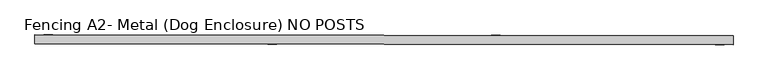
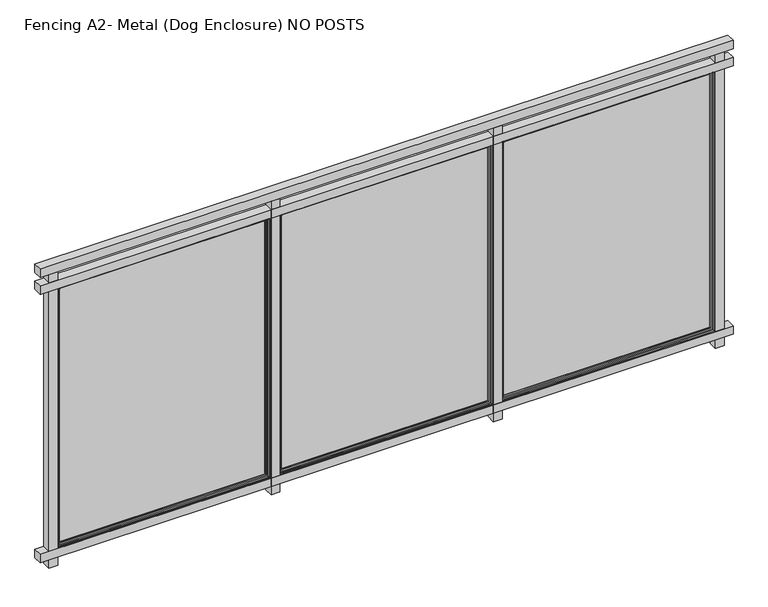
"""IFC4 building model written with IfcOpenShell, lengths in millimetres: railing geometry, Fencing A2- Metal (Dog Enclosure) NO POSTS."""

from ifc_helpers import new_model, si_unit, frame, origin, place, context, project, spatial, polyline, ellipse_curve, outline, extrude, source, transform, mapped, element, save
from ifc_brep_helpers import plane_surface, cylinder_surface, advanced_brep


def fencing_a2_metal_dog_enclosure_no_posts_9d2dae22(model_context):
    return source(origin(), model_context, "Body", "SolidModel", [
        extrude(outline(polyline([(4260.0081222, 2335.1060375), (4259.9478212, 2284.3060733), (297.5506127, 2289.0095581), (297.6109138, 2339.8095223), (4260.0081222, 2335.1060375)])), frame((0.0, 0.0, 1016.0), z_axis=(0.0, 0.0, 1.0), x_axis=(1.0, 0.0, 0.0)), (0.0, 0.0, 1.0), 50.8),
        extrude(outline(polyline([(4260.0081222, 2335.1060375), (4259.9478212, 2284.3060733), (297.5506127, 2289.0095581), (297.6109138, 2339.8095223), (4260.0081222, 2335.1060375)])), frame((0.0, 0.0, 914.4), z_axis=(0.0, 0.0, 1.0), x_axis=(1.0, 0.0, 0.0)), (0.0, 0.0, 1.0), 50.8),
        extrude(outline(polyline([(4260.0081222, 2335.1060375), (4259.9478212, 2284.3060733), (297.5506127, 2289.0095581), (297.6109138, 2339.8095223), (4260.0081222, 2335.1060375)])), frame((0.0, 0.0, -711.2), z_axis=(0.0, 0.0, 1.0), x_axis=(1.0, 0.0, 0.0)), (0.0, 0.0, 1.0), 50.8),
        extrude(outline(polyline([(399.2108422, 2339.6889201), (399.1505412, 2288.8889559), (348.350577, 2288.949257), (348.410878, 2339.7492212), (399.2108422, 2339.6889201)])), frame((0.0, 0.0, -762.0), z_axis=(0.0, 0.0, 1.0), x_axis=(1.0, 0.0, 0.0)), (0.0, 0.0, 1.0), 1778.0),
        advanced_brep(
        [(1612.0505657, 2330.3117373, 908.05), (1615.2293323, 2333.4829662, 911.225), (1615.2293323, 2333.4829662, -657.225), (1612.0505657, 2330.3117373, -654.05), (402.3801868, 2334.9226547, -657.225), (405.5514157, 2331.7438881, -654.05), (399.205189, 2334.9264235, -660.4), (399.205189, 2334.9264235, 914.4), (1618.4043301, 2333.4791974, 914.4), (1618.4043301, 2333.4791974, -660.4), (402.3801868, 2334.9226547, 911.225), (405.5514157, 2331.7438881, 908.05), (1612.0392593, 2320.786744, -654.05), (405.5401093, 2322.2188948, -654.05), (1612.0392593, 2320.786744, 908.05), (405.5401093, 2322.2188948, 908.05), (1602.514266, 2320.7980504, -644.525), (1602.514266, 2320.7980504, 898.525), (415.0651026, 2322.2075883, 898.525), (415.0651026, 2322.2075883, -644.525), (1599.3354994, 2317.6268215, 895.35), (1599.3354994, 2317.6268215, -641.35), (418.2363315, 2319.0288218, -641.35), (418.2363315, 2319.0288218, 895.35), (1599.3317306, 2314.4518237, -641.35), (418.2325627, 2315.853824, -641.35), (1599.3317306, 2314.4518237, 895.35), (418.2325627, 2315.853824, 895.35), (1618.3817172, 2314.4292108, -660.4), (1618.3817172, 2314.4292108, 914.4), (399.1825761, 2315.8764369, 914.4), (399.1825761, 2315.8764369, -660.4)],
        [
            (0, 1, ellipse_curve(frame((1615.2255635, 2330.3079684, 911.225), z_axis=(0.7071062830160321, -0.0008393564505232655, -0.7071067811865475), x_axis=(0.707106283016032, -0.0008393564505232654, 0.7071067811865476)), 4.4901281, 3.175)),
            (1, 2),
            (2, 3, ellipse_curve(frame((1615.2255635, 2330.3079684, -657.225), z_axis=(0.7071062830160321, -0.0008393564505232655, 0.7071067811865475), x_axis=(-0.707106283016032, 0.0008393564505232654, 0.7071067811865476)), 4.4901281, 3.175)),
            (3, 0),
            (2, 4),
            (4, 5, ellipse_curve(frame((402.376418, 2331.7476569, -657.225), z_axis=(0.7071062830160321, -0.0008393564505232655, -0.7071067811865475), x_axis=(0.7071062830160322, -0.0008393564505232656, 0.7071067811865474)), 4.4901281, 3.175)),
            (5, 3),
            (6, 7),
            (7, 8),
            (8, 9),
            (9, 6),
            (1, 10),
            (10, 4),
            (10, 11, ellipse_curve(frame((402.376418, 2331.7476569, 911.225), z_axis=(-0.7071062830160321, 0.0008393564505232655, -0.7071067811865475), x_axis=(0.707106283016032, -0.0008393564505232654, -0.7071067811865476)), 4.4901281, 3.175)),
            (11, 5),
            (12, 3),
            (5, 13),
            (13, 12),
            (14, 0),
            (12, 14),
            (11, 15),
            (15, 13),
            (15, 14),
            (16, 17),
            (17, 18),
            (18, 19),
            (19, 16),
            (20, 17, ellipse_curve(frame((1602.5104972, 2317.6230527, 898.525), z_axis=(0.7071062830160321, -0.0008393564505232655, -0.7071067811865475), x_axis=(0.707106283016032, -0.0008393564505232654, 0.7071067811865476)), 4.4901281, 3.175)),
            (16, 21, ellipse_curve(frame((1602.5104972, 2317.6230527, -644.525), z_axis=(0.7071062830160321, -0.0008393564505232655, 0.7071067811865475), x_axis=(-0.707106283016032, 0.0008393564505232654, 0.7071067811865476)), 4.4901281, 3.175)),
            (21, 20),
            (19, 22, ellipse_curve(frame((415.0613337, 2319.0325906, -644.525), z_axis=(0.7071062830160321, -0.0008393564505232655, -0.7071067811865475), x_axis=(0.7071062830160322, -0.0008393564505232656, 0.7071067811865474)), 4.4901281, 3.175)),
            (22, 21),
            (18, 23, ellipse_curve(frame((415.0613337, 2319.0325906, 898.525), z_axis=(-0.7071062830160321, 0.0008393564505232655, -0.7071067811865475), x_axis=(0.707106283016032, -0.0008393564505232654, -0.7071067811865476)), 4.4901281, 3.175)),
            (23, 22),
            (24, 21),
            (22, 25),
            (25, 24),
            (26, 20),
            (24, 26),
            (23, 27),
            (27, 25),
            (28, 29),
            (29, 30),
            (30, 31),
            (31, 28),
            (27, 26),
            (8, 29),
            (28, 9),
            (31, 6),
            (30, 7),
            (0, 11),
            (20, 23),
        ],
        [
            cylinder_surface(frame((1615.2255635, 2330.3079684, 914.4), z_axis=(0.0, 0.0, 1.0), x_axis=(0.9999992954805008, -0.001187029275995899, 0.0)), 3.175),
            cylinder_surface(frame((1618.4005613, 2330.3041996, -657.225), z_axis=(0.9999992954805008, -0.0011870292759953438, 0.0), x_axis=(0.0, 0.0, -1.0)), 3.175),
            plane_surface(frame((1618.4043301, 2333.4791974, 914.4), z_axis=(0.001187029275995899, 0.9999992954805008, 0.0), x_axis=(0.0, 0.0, -1.0))),
            cylinder_surface(frame((402.376418, 2331.7476569, -660.4), z_axis=(0.0, 0.0, -1.0), x_axis=(-0.9999992954805008, 0.0011870292759947887, 0.0)), 3.175),
            plane_surface(frame((1612.0505657, 2330.3117373, -654.05), z_axis=(0.0, 0.0, 1.0), x_axis=(-0.9999992954805008, 0.0011870292759953486, 0.0))),
            plane_surface(frame((1612.0505657, 2330.3117373, 908.05), z_axis=(-0.9999992954805008, 0.001187029275995899, 0.0), x_axis=(0.0, 0.0, -1.0))),
            plane_surface(frame((405.5514157, 2331.7438881, -654.05), z_axis=(0.9999992954805008, -0.0011870292759947887, 0.0), x_axis=(0.0, 0.0, 1.0))),
            plane_surface(frame((1612.0392593, 2320.786744, 908.05), z_axis=(0.001187029275995899, 0.9999992954805008, 0.0), x_axis=(0.0, 0.0, -1.0))),
            cylinder_surface(frame((1602.5104972, 2317.6230527, 914.4), z_axis=(0.0, 0.0, 1.0), x_axis=(0.9999992954805008, -0.001187029275995899, 0.0)), 3.175),
            cylinder_surface(frame((1618.385486, 2317.6042086, -644.525), z_axis=(0.9999992954805008, -0.0011870292759953438, 0.0), x_axis=(0.0, 0.0, -1.0)), 3.175),
            cylinder_surface(frame((415.0613337, 2319.0325906, -660.4), z_axis=(0.0, 0.0, -1.0), x_axis=(-0.9999992954805008, 0.0011870292759947887, 0.0)), 3.175),
            plane_surface(frame((1599.3354994, 2317.6268215, -641.35), z_axis=(0.0, 0.0, 1.0), x_axis=(-0.9999992954805008, 0.001187029275995351, 0.0))),
            plane_surface(frame((1599.3354994, 2317.6268215, 895.35), z_axis=(-0.9999992954805008, 0.001187029275995899, 0.0), x_axis=(0.0, 0.0, -1.0))),
            plane_surface(frame((418.2363315, 2319.0288218, -641.35), z_axis=(0.9999992954805008, -0.0011870292759947887, 0.0), x_axis=(0.0, 0.0, 1.0))),
            plane_surface(frame((1599.3317306, 2314.4518237, 895.35), z_axis=(-0.001187029275995899, -0.9999992954805008, 0.0), x_axis=(0.0, 0.0, -1.0))),
            plane_surface(frame((1618.3817172, 2314.4292108, 914.4), z_axis=(0.9999992954805008, -0.001187029275995899, 0.0), x_axis=(0.0, 0.0, -1.0))),
            plane_surface(frame((1618.3817172, 2314.4292108, -660.4), z_axis=(0.0, 0.0, -1.0), x_axis=(-0.9999992954805008, 0.0011870292759953438, 0.0))),
            plane_surface(frame((399.1825761, 2315.8764369, -660.4), z_axis=(-0.9999992954805008, 0.0011870292759947887, 0.0), x_axis=(0.0, 0.0, 1.0))),
            cylinder_surface(frame((399.2014202, 2331.7514257, 911.225), z_axis=(-0.9999992954805008, 0.0011870292759953438, 0.0), x_axis=(0.0, 0.0, 1.0)), 3.175),
            plane_surface(frame((405.5514157, 2331.7438881, 908.05), z_axis=(0.0, 0.0, -1.0), x_axis=(0.9999992954805008, -0.0011870292759953449, 0.0))),
            cylinder_surface(frame((399.1863449, 2319.0514347, 898.525), z_axis=(-0.9999992954805008, 0.0011870292759953438, 0.0), x_axis=(0.0, 0.0, 1.0)), 3.175),
            plane_surface(frame((418.2363315, 2319.0288218, 895.35), z_axis=(0.0, 0.0, -1.0), x_axis=(0.9999992954805008, -0.001187029275995351, 0.0))),
            plane_surface(frame((399.1825761, 2315.8764369, 914.4), z_axis=(0.0, 0.0, 1.0), x_axis=(0.9999992954805008, -0.0011870292759953438, 0.0))),
        ],
        [
            (0, [[1, 2, 3, 4]]),
            (1, [[-3, 5, 6, 7]]),
            (2, [[8, 9, 10, 11], [-2, 12, 13, -5]]),
            (3, [[-6, -13, 14, 15]]),
            (4, [[16, -7, 17, 18]]),
            (5, [[19, -4, -16, 20]]),
            (6, [[-17, -15, 21, 22]]),
            (7, [[-22, 23, -20, -18], [24, 25, 26, 27]]),
            (8, [[28, -24, 29, 30]]),
            (9, [[-29, -27, 31, 32]]),
            (10, [[-31, -26, 33, 34]]),
            (11, [[35, -32, 36, 37]]),
            (12, [[38, -30, -35, 39]]),
            (13, [[-36, -34, 40, 41]]),
            (14, [[42, 43, 44, 45], [-41, 46, -39, -37]]),
            (15, [[47, -42, 48, -10]]),
            (16, [[-48, -45, 49, -11]]),
            (17, [[-49, -44, 50, -8]]),
            (18, [[-14, -12, -1, 51]]),
            (19, [[-21, -51, -19, -23]]),
            (20, [[-33, -25, -28, 52]]),
            (21, [[-40, -52, -38, -46]]),
            (22, [[-50, -43, -47, -9]]),
        ],
    ),
        advanced_brep(
        [(1618.3779483, 2311.254213, 914.4), (1618.3553354, 2292.2042265, 914.4), (1618.3553354, 2292.2042265, -660.4), (1618.3779483, 2311.254213, -660.4), (399.1561944, 2293.6514526, -660.4), (399.1788073, 2312.7014391, -660.4), (399.1561944, 2293.6514526, 914.4), (402.3311922, 2293.6476837, -657.225), (402.3311922, 2293.6476837, 911.225), (1615.1803377, 2292.2079953, 911.225), (1615.1803377, 2292.2079953, -657.225), (399.1788073, 2312.7014391, 914.4), (1599.3279618, 2311.2768259, -641.35), (1599.3279618, 2311.2768259, 895.35), (418.2287939, 2312.6788262, 895.35), (418.2287939, 2312.6788262, -641.35), (1599.3241929, 2308.1018282, 895.35), (1599.3241929, 2308.1018282, -641.35), (418.2250251, 2309.5038285, -641.35), (418.2250251, 2309.5038285, 895.35), (1602.4954219, 2304.9230616, -644.525), (415.0462585, 2306.3325995, -644.525), (1602.4954219, 2304.9230616, 898.525), (415.0462585, 2306.3325995, 898.525), (1612.0204152, 2304.9117551, -654.05), (1612.0204152, 2304.9117551, 908.05), (405.5212652, 2306.343906, 908.05), (405.5212652, 2306.343906, -654.05), (1612.0091087, 2295.3867619, 908.05), (1612.0091087, 2295.3867619, -654.05), (405.5099587, 2296.8189127, -654.05), (405.5099587, 2296.8189127, 908.05)],
        [
            (0, 1),
            (1, 2),
            (2, 3),
            (3, 0),
            (2, 4),
            (4, 5),
            (5, 3),
            (1, 6),
            (6, 4),
            (7, 8),
            (8, 9),
            (9, 10),
            (10, 7),
            (6, 11),
            (11, 5),
            (11, 0),
            (12, 13),
            (13, 14),
            (14, 15),
            (15, 12),
            (16, 13),
            (12, 17),
            (17, 16),
            (15, 18),
            (18, 17),
            (14, 19),
            (19, 18),
            (20, 17, ellipse_curve(frame((1602.4991907, 2308.0980594, -644.525), z_axis=(-0.7071062830160321, 0.0008393564505232655, -0.7071067811865475), x_axis=(0.7071062830160322, -0.0008393564505232656, -0.7071067811865474)), 4.4901281, 3.175)),
            (18, 21, ellipse_curve(frame((415.0500273, 2309.5075973, -644.525), z_axis=(0.7071062830160321, -0.0008393564505232655, -0.7071067811865475), x_axis=(0.7071062830160322, -0.0008393564505232656, 0.7071067811865474)), 4.4901281, 3.175)),
            (21, 20),
            (22, 16, ellipse_curve(frame((1602.4991907, 2308.0980594, 898.525), z_axis=(0.7071062830160321, -0.0008393564505232655, -0.7071067811865475), x_axis=(0.707106283016032, -0.0008393564505232654, 0.7071067811865476)), 4.4901281, 3.175)),
            (20, 22),
            (19, 23, ellipse_curve(frame((415.0500273, 2309.5075973, 898.525), z_axis=(-0.7071062830160321, 0.0008393564505232655, -0.7071067811865475), x_axis=(0.707106283016032, -0.0008393564505232654, -0.7071067811865476)), 4.4901281, 3.175)),
            (23, 21),
            (24, 25),
            (25, 26),
            (26, 27),
            (27, 24),
            (23, 22),
            (28, 25),
            (24, 29),
            (29, 28),
            (27, 30),
            (30, 29),
            (26, 31),
            (31, 30),
            (10, 29, ellipse_curve(frame((1615.1841065, 2295.382993, -657.225), z_axis=(-0.7071062830160321, 0.0008393564505232655, -0.7071067811865475), x_axis=(0.7071062830160322, -0.0008393564505232656, -0.7071067811865474)), 4.4901281, 3.175)),
            (30, 7, ellipse_curve(frame((402.334961, 2296.8226815, -657.225), z_axis=(0.7071062830160321, -0.0008393564505232655, -0.7071067811865475), x_axis=(0.7071062830160322, -0.0008393564505232656, 0.7071067811865474)), 4.4901281, 3.175)),
            (9, 28, ellipse_curve(frame((1615.1841065, 2295.382993, 911.225), z_axis=(0.7071062830160321, -0.0008393564505232655, -0.7071067811865475), x_axis=(0.707106283016032, -0.0008393564505232654, 0.7071067811865476)), 4.4901281, 3.175)),
            (31, 8, ellipse_curve(frame((402.334961, 2296.8226815, 911.225), z_axis=(-0.7071062830160321, 0.0008393564505232655, -0.7071067811865475), x_axis=(0.707106283016032, -0.0008393564505232654, -0.7071067811865476)), 4.4901281, 3.175)),
            (16, 19),
            (28, 31),
        ],
        [
            plane_surface(frame((1618.3553354, 2292.2042265, 914.4), z_axis=(0.9999992954805008, -0.001187029275995899, 0.0), x_axis=(0.0, 0.0, -1.0))),
            plane_surface(frame((1618.3553354, 2292.2042265, -660.4), z_axis=(0.0, 0.0, -1.0), x_axis=(-0.9999992954805008, 0.0011870292759953438, 0.0))),
            plane_surface(frame((1615.1803377, 2292.2079953, 911.225), z_axis=(-0.001187029275995899, -0.9999992954805008, 0.0), x_axis=(0.0, 0.0, -1.0))),
            plane_surface(frame((399.1561944, 2293.6514526, -660.4), z_axis=(-0.9999992954805008, 0.0011870292759947887, 0.0), x_axis=(0.0, 0.0, 1.0))),
            plane_surface(frame((1618.3779483, 2311.254213, 914.4), z_axis=(0.001187029275995899, 0.9999992954805008, 0.0), x_axis=(0.0, 0.0, -1.0))),
            plane_surface(frame((1599.3279618, 2311.2768259, 895.35), z_axis=(-0.9999992954805008, 0.001187029275995899, 0.0), x_axis=(0.0, 0.0, -1.0))),
            plane_surface(frame((1599.3279618, 2311.2768259, -641.35), z_axis=(0.0, 0.0, 1.0), x_axis=(-0.9999992954805008, 0.001187029275995351, 0.0))),
            plane_surface(frame((418.2287939, 2312.6788262, -641.35), z_axis=(0.9999992954805008, -0.0011870292759947887, 0.0), x_axis=(0.0, 0.0, 1.0))),
            cylinder_surface(frame((1618.3741795, 2308.0792153, -644.525), z_axis=(0.9999992954805008, -0.0011870292759953438, 0.0), x_axis=(0.0, 0.0, -1.0)), 3.175),
            cylinder_surface(frame((1602.4991907, 2308.0980594, 914.4), z_axis=(0.0, 0.0, 1.0), x_axis=(0.9999992954805008, -0.001187029275995899, 0.0)), 3.175),
            cylinder_surface(frame((415.0500273, 2309.5075973, -660.4), z_axis=(0.0, 0.0, -1.0), x_axis=(-0.9999992954805008, 0.0011870292759947887, 0.0)), 3.175),
            plane_surface(frame((1602.4954219, 2304.9230616, 898.525), z_axis=(-0.001187029275995899, -0.9999992954805008, 0.0), x_axis=(0.0, 0.0, -1.0))),
            plane_surface(frame((1612.0204152, 2304.9117551, 908.05), z_axis=(-0.9999992954805008, 0.001187029275995899, 0.0), x_axis=(0.0, 0.0, -1.0))),
            plane_surface(frame((1612.0204152, 2304.9117551, -654.05), z_axis=(0.0, 0.0, 1.0), x_axis=(-0.9999992954805008, 0.0011870292759953449, 0.0))),
            plane_surface(frame((405.5212652, 2306.343906, -654.05), z_axis=(0.9999992954805008, -0.0011870292759947887, 0.0), x_axis=(0.0, 0.0, 1.0))),
            cylinder_surface(frame((1618.3591043, 2295.3792242, -657.225), z_axis=(0.9999992954805008, -0.0011870292759953438, 0.0), x_axis=(0.0, 0.0, -1.0)), 3.175),
            cylinder_surface(frame((1615.1841065, 2295.382993, 914.4), z_axis=(0.0, 0.0, 1.0), x_axis=(0.9999992954805008, -0.001187029275995899, 0.0)), 3.175),
            cylinder_surface(frame((402.334961, 2296.8226815, -660.4), z_axis=(0.0, 0.0, -1.0), x_axis=(-0.9999992954805008, 0.0011870292759947887, 0.0)), 3.175),
            plane_surface(frame((399.1561944, 2293.6514526, 914.4), z_axis=(0.0, 0.0, 1.0), x_axis=(0.9999992954805008, -0.0011870292759953438, 0.0))),
            plane_surface(frame((418.2287939, 2312.6788262, 895.35), z_axis=(0.0, 0.0, -1.0), x_axis=(0.9999992954805008, -0.001187029275995351, 0.0))),
            cylinder_surface(frame((399.1750385, 2309.5264414, 898.525), z_axis=(-0.9999992954805008, 0.0011870292759953438, 0.0), x_axis=(0.0, 0.0, 1.0)), 3.175),
            plane_surface(frame((405.5212652, 2306.343906, 908.05), z_axis=(0.0, 0.0, -1.0), x_axis=(0.9999992954805008, -0.0011870292759953449, 0.0))),
            cylinder_surface(frame((399.1599632, 2296.8264503, 911.225), z_axis=(-0.9999992954805008, 0.0011870292759953438, 0.0), x_axis=(0.0, 0.0, 1.0)), 3.175),
        ],
        [
            (0, [[1, 2, 3, 4]]),
            (1, [[-3, 5, 6, 7]]),
            (2, [[-2, 8, 9, -5], [10, 11, 12, 13]]),
            (3, [[-6, -9, 14, 15]]),
            (4, [[-15, 16, -4, -7], [17, 18, 19, 20]]),
            (5, [[21, -17, 22, 23]]),
            (6, [[-22, -20, 24, 25]]),
            (7, [[-24, -19, 26, 27]]),
            (8, [[28, -25, 29, 30]]),
            (9, [[31, -23, -28, 32]]),
            (10, [[-29, -27, 33, 34]]),
            (11, [[35, 36, 37, 38], [-34, 39, -32, -30]]),
            (12, [[40, -35, 41, 42]]),
            (13, [[-41, -38, 43, 44]]),
            (14, [[-43, -37, 45, 46]]),
            (15, [[47, -44, 48, -13]]),
            (16, [[49, -42, -47, -12]]),
            (17, [[-48, -46, 50, -10]]),
            (18, [[-14, -8, -1, -16]]),
            (19, [[-26, -18, -21, 51]]),
            (20, [[-33, -51, -31, -39]]),
            (21, [[-45, -36, -40, 52]]),
            (22, [[-50, -52, -49, -11]]),
        ],
    ),
        extrude(outline(polyline([(1618.3779483, 2311.254213), (399.1788073, 2312.7014391), (399.1825761, 2315.8764369), (1618.3817172, 2314.4292108), (1618.3779483, 2311.254213)])), frame((0.0, 0.0, -660.4), z_axis=(0.0, 0.0, 1.0), x_axis=(1.0, 0.0, 0.0)), (0.0, 0.0, 1.0), 1574.8),
        extrude(outline(polyline([(1669.2099475, 2338.1813929), (1669.1496464, 2287.3814287), (1618.3496822, 2287.4417298), (1618.4099833, 2338.241694), (1669.2099475, 2338.1813929)])), frame((0.0, 0.0, -762.0), z_axis=(0.0, 0.0, 1.0), x_axis=(1.0, 0.0, 0.0)), (0.0, 0.0, 1.0), 1778.0),
        advanced_brep(
        [(2882.049671, 2328.8042101, 908.05), (2885.2284376, 2331.975439, 911.225), (2885.2284376, 2331.975439, -657.225), (2882.049671, 2328.8042101, -654.05), (1672.379292, 2333.4151275, -657.225), (1675.550521, 2330.2363609, -654.05), (1669.2042943, 2333.4188963, -660.4), (1669.2042943, 2333.4188963, 914.4), (2888.4034353, 2331.9716702, 914.4), (2888.4034353, 2331.9716702, -660.4), (1672.379292, 2333.4151275, 911.225), (1675.550521, 2330.2363609, 908.05), (2882.0383645, 2319.2792168, -654.05), (1675.5392145, 2320.7113676, -654.05), (2882.0383645, 2319.2792168, 908.05), (1675.5392145, 2320.7113676, 908.05), (2872.5133712, 2319.2905232, -644.525), (2872.5133712, 2319.2905232, 898.525), (1685.0642078, 2320.7000612, 898.525), (1685.0642078, 2320.7000612, -644.525), (2869.3346047, 2316.1192943, 895.35), (2869.3346047, 2316.1192943, -641.35), (1688.2354368, 2317.5212946, -641.35), (1688.2354368, 2317.5212946, 895.35), (2869.3308358, 2312.9442965, -641.35), (1688.231668, 2314.3462968, -641.35), (2869.3308358, 2312.9442965, 895.35), (1688.231668, 2314.3462968, 895.35), (2888.3808224, 2312.9216836, -660.4), (2888.3808224, 2312.9216836, 914.4), (1669.1816814, 2314.3689097, 914.4), (1669.1816814, 2314.3689097, -660.4)],
        [
            (0, 1, ellipse_curve(frame((2885.2246687, 2328.8004413, 911.225), z_axis=(0.7071062830160321, -0.0008393564505232655, -0.7071067811865475), x_axis=(0.707106283016032, -0.0008393564505232654, 0.7071067811865476)), 4.4901281, 3.175)),
            (1, 2),
            (2, 3, ellipse_curve(frame((2885.2246687, 2328.8004413, -657.225), z_axis=(0.7071062830160321, -0.0008393564505232655, 0.7071067811865475), x_axis=(-0.707106283016032, 0.0008393564505232654, 0.7071067811865476)), 4.4901281, 3.175)),
            (3, 0),
            (2, 4),
            (4, 5, ellipse_curve(frame((1672.3755232, 2330.2401297, -657.225), z_axis=(0.7071062830160321, -0.0008393564505232655, -0.7071067811865475), x_axis=(0.7071062830160322, -0.0008393564505232656, 0.7071067811865474)), 4.4901281, 3.175)),
            (5, 3),
            (6, 7),
            (7, 8),
            (8, 9),
            (9, 6),
            (1, 10),
            (10, 4),
            (10, 11, ellipse_curve(frame((1672.3755232, 2330.2401297, 911.225), z_axis=(-0.7071062830160321, 0.0008393564505232655, -0.7071067811865475), x_axis=(0.707106283016032, -0.0008393564505232654, -0.7071067811865476)), 4.4901281, 3.175)),
            (11, 5),
            (12, 3),
            (5, 13),
            (13, 12),
            (14, 0),
            (12, 14),
            (11, 15),
            (15, 13),
            (15, 14),
            (16, 17),
            (17, 18),
            (18, 19),
            (19, 16),
            (20, 17, ellipse_curve(frame((2872.5096024, 2316.1155255, 898.525), z_axis=(0.7071062830160321, -0.0008393564505232655, -0.7071067811865475), x_axis=(0.707106283016032, -0.0008393564505232654, 0.7071067811865476)), 4.4901281, 3.175)),
            (16, 21, ellipse_curve(frame((2872.5096024, 2316.1155255, -644.525), z_axis=(0.7071062830160321, -0.0008393564505232655, 0.7071067811865475), x_axis=(-0.707106283016032, 0.0008393564505232654, 0.7071067811865476)), 4.4901281, 3.175)),
            (21, 20),
            (19, 22, ellipse_curve(frame((1685.060439, 2317.5250634, -644.525), z_axis=(0.7071062830160321, -0.0008393564505232655, -0.7071067811865475), x_axis=(0.7071062830160322, -0.0008393564505232656, 0.7071067811865474)), 4.4901281, 3.175)),
            (22, 21),
            (18, 23, ellipse_curve(frame((1685.060439, 2317.5250634, 898.525), z_axis=(-0.7071062830160321, 0.0008393564505232655, -0.7071067811865475), x_axis=(0.707106283016032, -0.0008393564505232654, -0.7071067811865476)), 4.4901281, 3.175)),
            (23, 22),
            (24, 21),
            (22, 25),
            (25, 24),
            (26, 20),
            (24, 26),
            (23, 27),
            (27, 25),
            (28, 29),
            (29, 30),
            (30, 31),
            (31, 28),
            (27, 26),
            (8, 29),
            (28, 9),
            (31, 6),
            (30, 7),
            (0, 11),
            (20, 23),
        ],
        [
            cylinder_surface(frame((2885.2246687, 2328.8004413, 914.4), z_axis=(0.0, 0.0, 1.0), x_axis=(0.9999992954805008, -0.001187029275995899, 0.0)), 3.175),
            cylinder_surface(frame((2888.3996665, 2328.7966724, -657.225), z_axis=(0.9999992954805008, -0.0011870292759953438, 0.0), x_axis=(0.0, 0.0, -1.0)), 3.175),
            plane_surface(frame((2888.4034353, 2331.9716702, 914.4), z_axis=(0.001187029275995899, 0.9999992954805008, 0.0), x_axis=(0.0, 0.0, -1.0))),
            cylinder_surface(frame((1672.3755232, 2330.2401297, -660.4), z_axis=(0.0, 0.0, -1.0), x_axis=(-0.9999992954805008, 0.0011870292759947887, 0.0)), 3.175),
            plane_surface(frame((2882.049671, 2328.8042101, -654.05), z_axis=(0.0, 0.0, 1.0), x_axis=(-0.9999992954805008, 0.0011870292759953486, 0.0))),
            plane_surface(frame((2882.049671, 2328.8042101, 908.05), z_axis=(-0.9999992954805008, 0.001187029275995899, 0.0), x_axis=(0.0, 0.0, -1.0))),
            plane_surface(frame((1675.550521, 2330.2363609, -654.05), z_axis=(0.9999992954805008, -0.0011870292759947887, 0.0), x_axis=(0.0, 0.0, 1.0))),
            plane_surface(frame((2882.0383645, 2319.2792168, 908.05), z_axis=(0.001187029275995899, 0.9999992954805008, 0.0), x_axis=(0.0, 0.0, -1.0))),
            cylinder_surface(frame((2872.5096024, 2316.1155255, 914.4), z_axis=(0.0, 0.0, 1.0), x_axis=(0.9999992954805008, -0.001187029275995899, 0.0)), 3.175),
            cylinder_surface(frame((2888.3845912, 2316.0966814, -644.525), z_axis=(0.9999992954805008, -0.0011870292759953438, 0.0), x_axis=(0.0, 0.0, -1.0)), 3.175),
            cylinder_surface(frame((1685.060439, 2317.5250634, -660.4), z_axis=(0.0, 0.0, -1.0), x_axis=(-0.9999992954805008, 0.0011870292759947887, 0.0)), 3.175),
            plane_surface(frame((2869.3346047, 2316.1192943, -641.35), z_axis=(0.0, 0.0, 1.0), x_axis=(-0.9999992954805008, 0.001187029275995351, 0.0))),
            plane_surface(frame((2869.3346047, 2316.1192943, 895.35), z_axis=(-0.9999992954805008, 0.001187029275995899, 0.0), x_axis=(0.0, 0.0, -1.0))),
            plane_surface(frame((1688.2354368, 2317.5212946, -641.35), z_axis=(0.9999992954805008, -0.0011870292759947887, 0.0), x_axis=(0.0, 0.0, 1.0))),
            plane_surface(frame((2869.3308358, 2312.9442965, 895.35), z_axis=(-0.001187029275995899, -0.9999992954805008, 0.0), x_axis=(0.0, 0.0, -1.0))),
            plane_surface(frame((2888.3808224, 2312.9216836, 914.4), z_axis=(0.9999992954805008, -0.001187029275995899, 0.0), x_axis=(0.0, 0.0, -1.0))),
            plane_surface(frame((2888.3808224, 2312.9216836, -660.4), z_axis=(0.0, 0.0, -1.0), x_axis=(-0.9999992954805008, 0.0011870292759953438, 0.0))),
            plane_surface(frame((1669.1816814, 2314.3689097, -660.4), z_axis=(-0.9999992954805008, 0.0011870292759947887, 0.0), x_axis=(0.0, 0.0, 1.0))),
            cylinder_surface(frame((1669.2005255, 2330.2438985, 911.225), z_axis=(-0.9999992954805008, 0.0011870292759953438, 0.0), x_axis=(0.0, 0.0, 1.0)), 3.175),
            plane_surface(frame((1675.550521, 2330.2363609, 908.05), z_axis=(0.0, 0.0, -1.0), x_axis=(0.9999992954805008, -0.0011870292759953449, 0.0))),
            cylinder_surface(frame((1669.1854502, 2317.5439075, 898.525), z_axis=(-0.9999992954805008, 0.0011870292759953438, 0.0), x_axis=(0.0, 0.0, 1.0)), 3.175),
            plane_surface(frame((1688.2354368, 2317.5212946, 895.35), z_axis=(0.0, 0.0, -1.0), x_axis=(0.9999992954805008, -0.001187029275995351, 0.0))),
            plane_surface(frame((1669.1816814, 2314.3689097, 914.4), z_axis=(0.0, 0.0, 1.0), x_axis=(0.9999992954805008, -0.0011870292759953438, 0.0))),
        ],
        [
            (0, [[1, 2, 3, 4]]),
            (1, [[-3, 5, 6, 7]]),
            (2, [[8, 9, 10, 11], [-2, 12, 13, -5]]),
            (3, [[-6, -13, 14, 15]]),
            (4, [[16, -7, 17, 18]]),
            (5, [[19, -4, -16, 20]]),
            (6, [[-17, -15, 21, 22]]),
            (7, [[-22, 23, -20, -18], [24, 25, 26, 27]]),
            (8, [[28, -24, 29, 30]]),
            (9, [[-29, -27, 31, 32]]),
            (10, [[-31, -26, 33, 34]]),
            (11, [[35, -32, 36, 37]]),
            (12, [[38, -30, -35, 39]]),
            (13, [[-36, -34, 40, 41]]),
            (14, [[42, 43, 44, 45], [-41, 46, -39, -37]]),
            (15, [[47, -42, 48, -10]]),
            (16, [[-48, -45, 49, -11]]),
            (17, [[-49, -44, 50, -8]]),
            (18, [[-14, -12, -1, 51]]),
            (19, [[-21, -51, -19, -23]]),
            (20, [[-33, -25, -28, 52]]),
            (21, [[-40, -52, -38, -46]]),
            (22, [[-50, -43, -47, -9]]),
        ],
    ),
        advanced_brep(
        [(2888.3770536, 2309.7466859, 914.4), (2888.3544407, 2290.6966993, 914.4), (2888.3544407, 2290.6966993, -660.4), (2888.3770536, 2309.7466859, -660.4), (1669.1552996, 2292.1439254, -660.4), (1669.1779126, 2311.193912, -660.4), (1669.1552996, 2292.1439254, 914.4), (1672.3302974, 2292.1401566, -657.225), (1672.3302974, 2292.1401566, 911.225), (2885.1794429, 2290.7004681, 911.225), (2885.1794429, 2290.7004681, -657.225), (1669.1779126, 2311.193912, 914.4), (2869.327067, 2309.7692988, -641.35), (2869.327067, 2309.7692988, 895.35), (1688.2278991, 2311.171299, 895.35), (1688.2278991, 2311.171299, -641.35), (2869.3232982, 2306.594301, 895.35), (2869.3232982, 2306.594301, -641.35), (1688.2241303, 2307.9963013, -641.35), (1688.2241303, 2307.9963013, 895.35), (2872.4945272, 2303.4155344, -644.525), (1685.0453637, 2304.8250723, -644.525), (2872.4945272, 2303.4155344, 898.525), (1685.0453637, 2304.8250723, 898.525), (2882.0195204, 2303.404228, -654.05), (2882.0195204, 2303.404228, 908.05), (1675.5203704, 2304.8363788, 908.05), (1675.5203704, 2304.8363788, -654.05), (2882.008214, 2293.8792347, 908.05), (2882.008214, 2293.8792347, -654.05), (1675.509064, 2295.3113855, -654.05), (1675.509064, 2295.3113855, 908.05)],
        [
            (0, 1),
            (1, 2),
            (2, 3),
            (3, 0),
            (2, 4),
            (4, 5),
            (5, 3),
            (1, 6),
            (6, 4),
            (7, 8),
            (8, 9),
            (9, 10),
            (10, 7),
            (6, 11),
            (11, 5),
            (11, 0),
            (12, 13),
            (13, 14),
            (14, 15),
            (15, 12),
            (16, 13),
            (12, 17),
            (17, 16),
            (15, 18),
            (18, 17),
            (14, 19),
            (19, 18),
            (20, 17, ellipse_curve(frame((2872.498296, 2306.5905322, -644.525), z_axis=(-0.7071062830160321, 0.0008393564505232655, -0.7071067811865475), x_axis=(0.7071062830160322, -0.0008393564505232656, -0.7071067811865474)), 4.4901281, 3.175)),
            (18, 21, ellipse_curve(frame((1685.0491326, 2308.0000701, -644.525), z_axis=(0.7071062830160321, -0.0008393564505232655, -0.7071067811865475), x_axis=(0.7071062830160322, -0.0008393564505232656, 0.7071067811865474)), 4.4901281, 3.175)),
            (21, 20),
            (22, 16, ellipse_curve(frame((2872.498296, 2306.5905322, 898.525), z_axis=(0.7071062830160321, -0.0008393564505232655, -0.7071067811865475), x_axis=(0.707106283016032, -0.0008393564505232654, 0.7071067811865476)), 4.4901281, 3.175)),
            (20, 22),
            (19, 23, ellipse_curve(frame((1685.0491326, 2308.0000701, 898.525), z_axis=(-0.7071062830160321, 0.0008393564505232655, -0.7071067811865475), x_axis=(0.707106283016032, -0.0008393564505232654, -0.7071067811865476)), 4.4901281, 3.175)),
            (23, 21),
            (24, 25),
            (25, 26),
            (26, 27),
            (27, 24),
            (23, 22),
            (28, 25),
            (24, 29),
            (29, 28),
            (27, 30),
            (30, 29),
            (26, 31),
            (31, 30),
            (10, 29, ellipse_curve(frame((2885.1832118, 2293.8754659, -657.225), z_axis=(-0.7071062830160321, 0.0008393564505232655, -0.7071067811865475), x_axis=(0.7071062830160322, -0.0008393564505232656, -0.7071067811865474)), 4.4901281, 3.175)),
            (30, 7, ellipse_curve(frame((1672.3340662, 2295.3151543, -657.225), z_axis=(0.7071062830160321, -0.0008393564505232655, -0.7071067811865475), x_axis=(0.7071062830160322, -0.0008393564505232656, 0.7071067811865474)), 4.4901281, 3.175)),
            (9, 28, ellipse_curve(frame((2885.1832118, 2293.8754659, 911.225), z_axis=(0.7071062830160321, -0.0008393564505232655, -0.7071067811865475), x_axis=(0.707106283016032, -0.0008393564505232654, 0.7071067811865476)), 4.4901281, 3.175)),
            (31, 8, ellipse_curve(frame((1672.3340662, 2295.3151543, 911.225), z_axis=(-0.7071062830160321, 0.0008393564505232655, -0.7071067811865475), x_axis=(0.707106283016032, -0.0008393564505232654, -0.7071067811865476)), 4.4901281, 3.175)),
            (16, 19),
            (28, 31),
        ],
        [
            plane_surface(frame((2888.3544407, 2290.6966993, 914.4), z_axis=(0.9999992954805008, -0.001187029275995899, 0.0), x_axis=(0.0, 0.0, -1.0))),
            plane_surface(frame((2888.3544407, 2290.6966993, -660.4), z_axis=(0.0, 0.0, -1.0), x_axis=(-0.9999992954805008, 0.0011870292759953438, 0.0))),
            plane_surface(frame((2885.1794429, 2290.7004681, 911.225), z_axis=(-0.001187029275995899, -0.9999992954805008, 0.0), x_axis=(0.0, 0.0, -1.0))),
            plane_surface(frame((1669.1552996, 2292.1439254, -660.4), z_axis=(-0.9999992954805008, 0.0011870292759947887, 0.0), x_axis=(0.0, 0.0, 1.0))),
            plane_surface(frame((2888.3770536, 2309.7466859, 914.4), z_axis=(0.001187029275995899, 0.9999992954805008, 0.0), x_axis=(0.0, 0.0, -1.0))),
            plane_surface(frame((2869.327067, 2309.7692988, 895.35), z_axis=(-0.9999992954805008, 0.001187029275995899, 0.0), x_axis=(0.0, 0.0, -1.0))),
            plane_surface(frame((2869.327067, 2309.7692988, -641.35), z_axis=(0.0, 0.0, 1.0), x_axis=(-0.9999992954805008, 0.001187029275995351, 0.0))),
            plane_surface(frame((1688.2278991, 2311.171299, -641.35), z_axis=(0.9999992954805008, -0.0011870292759947887, 0.0), x_axis=(0.0, 0.0, 1.0))),
            cylinder_surface(frame((2888.3732848, 2306.5716881, -644.525), z_axis=(0.9999992954805008, -0.0011870292759953438, 0.0), x_axis=(0.0, 0.0, -1.0)), 3.175),
            cylinder_surface(frame((2872.498296, 2306.5905322, 914.4), z_axis=(0.0, 0.0, 1.0), x_axis=(0.9999992954805008, -0.001187029275995899, 0.0)), 3.175),
            cylinder_surface(frame((1685.0491326, 2308.0000701, -660.4), z_axis=(0.0, 0.0, -1.0), x_axis=(-0.9999992954805008, 0.0011870292759947887, 0.0)), 3.175),
            plane_surface(frame((2872.4945272, 2303.4155344, 898.525), z_axis=(-0.001187029275995899, -0.9999992954805008, 0.0), x_axis=(0.0, 0.0, -1.0))),
            plane_surface(frame((2882.0195204, 2303.404228, 908.05), z_axis=(-0.9999992954805008, 0.001187029275995899, 0.0), x_axis=(0.0, 0.0, -1.0))),
            plane_surface(frame((2882.0195204, 2303.404228, -654.05), z_axis=(0.0, 0.0, 1.0), x_axis=(-0.9999992954805008, 0.0011870292759953449, 0.0))),
            plane_surface(frame((1675.5203704, 2304.8363788, -654.05), z_axis=(0.9999992954805008, -0.0011870292759947887, 0.0), x_axis=(0.0, 0.0, 1.0))),
            cylinder_surface(frame((2888.3582095, 2293.871697, -657.225), z_axis=(0.9999992954805008, -0.0011870292759953438, 0.0), x_axis=(0.0, 0.0, -1.0)), 3.175),
            cylinder_surface(frame((2885.1832118, 2293.8754659, 914.4), z_axis=(0.0, 0.0, 1.0), x_axis=(0.9999992954805008, -0.001187029275995899, 0.0)), 3.175),
            cylinder_surface(frame((1672.3340662, 2295.3151543, -660.4), z_axis=(0.0, 0.0, -1.0), x_axis=(-0.9999992954805008, 0.0011870292759947887, 0.0)), 3.175),
            plane_surface(frame((1669.1552996, 2292.1439254, 914.4), z_axis=(0.0, 0.0, 1.0), x_axis=(0.9999992954805008, -0.0011870292759953438, 0.0))),
            plane_surface(frame((1688.2278991, 2311.171299, 895.35), z_axis=(0.0, 0.0, -1.0), x_axis=(0.9999992954805008, -0.001187029275995351, 0.0))),
            cylinder_surface(frame((1669.1741437, 2308.0189142, 898.525), z_axis=(-0.9999992954805008, 0.0011870292759953438, 0.0), x_axis=(0.0, 0.0, 1.0)), 3.175),
            plane_surface(frame((1675.5203704, 2304.8363788, 908.05), z_axis=(0.0, 0.0, -1.0), x_axis=(0.9999992954805008, -0.0011870292759953449, 0.0))),
            cylinder_surface(frame((1669.1590685, 2295.3189231, 911.225), z_axis=(-0.9999992954805008, 0.0011870292759953438, 0.0), x_axis=(0.0, 0.0, 1.0)), 3.175),
        ],
        [
            (0, [[1, 2, 3, 4]]),
            (1, [[-3, 5, 6, 7]]),
            (2, [[-2, 8, 9, -5], [10, 11, 12, 13]]),
            (3, [[-6, -9, 14, 15]]),
            (4, [[-15, 16, -4, -7], [17, 18, 19, 20]]),
            (5, [[21, -17, 22, 23]]),
            (6, [[-22, -20, 24, 25]]),
            (7, [[-24, -19, 26, 27]]),
            (8, [[28, -25, 29, 30]]),
            (9, [[31, -23, -28, 32]]),
            (10, [[-29, -27, 33, 34]]),
            (11, [[35, 36, 37, 38], [-34, 39, -32, -30]]),
            (12, [[40, -35, 41, 42]]),
            (13, [[-41, -38, 43, 44]]),
            (14, [[-43, -37, 45, 46]]),
            (15, [[47, -44, 48, -13]]),
            (16, [[49, -42, -47, -12]]),
            (17, [[-48, -46, 50, -10]]),
            (18, [[-14, -8, -1, -16]]),
            (19, [[-26, -18, -21, 51]]),
            (20, [[-33, -51, -31, -39]]),
            (21, [[-45, -36, -40, 52]]),
            (22, [[-50, -52, -49, -11]]),
        ],
    ),
        extrude(outline(polyline([(2888.3770536, 2309.7466859), (1669.1779126, 2311.193912), (1669.1816814, 2314.3689097), (2888.3808224, 2312.9216836), (2888.3770536, 2309.7466859)])), frame((0.0, 0.0, -660.4), z_axis=(0.0, 0.0, 1.0), x_axis=(1.0, 0.0, 0.0)), (0.0, 0.0, 1.0), 1574.8),
        extrude(outline(polyline([(2939.2090528, 2336.6738658), (2939.1487517, 2285.8739015), (2888.3487875, 2285.9342026), (2888.4090886, 2336.7341668), (2939.2090528, 2336.6738658)])), frame((0.0, 0.0, -762.0), z_axis=(0.0, 0.0, 1.0), x_axis=(1.0, 0.0, 0.0)), (0.0, 0.0, 1.0), 1778.0),
        advanced_brep(
        [(4152.0487762, 2327.2966829, 908.05), (4155.2275428, 2330.4679118, 911.225), (4155.2275428, 2330.4679118, -657.225), (4152.0487762, 2327.2966829, -654.05), (2942.3783973, 2331.9076003, -657.225), (2945.5496262, 2328.7288337, -654.05), (2939.2033995, 2331.9113691, -660.4), (2939.2033995, 2331.9113691, 914.4), (4158.4025406, 2330.464143, 914.4), (4158.4025406, 2330.464143, -660.4), (2942.3783973, 2331.9076003, 911.225), (2945.5496262, 2328.7288337, 908.05), (4152.0374698, 2317.7716896, -654.05), (2945.5383198, 2319.2038404, -654.05), (4152.0374698, 2317.7716896, 908.05), (2945.5383198, 2319.2038404, 908.05), (4142.5124765, 2317.7829961, -644.525), (4142.5124765, 2317.7829961, 898.525), (2955.0633131, 2319.192534, 898.525), (2955.0633131, 2319.192534, -644.525), (4139.3337099, 2314.6117671, 895.35), (4139.3337099, 2314.6117671, -641.35), (2958.234542, 2316.0137674, -641.35), (2958.234542, 2316.0137674, 895.35), (4139.3299411, 2311.4367693, -641.35), (2958.2307732, 2312.8387696, -641.35), (4139.3299411, 2311.4367693, 895.35), (2958.2307732, 2312.8387696, 895.35), (4158.3799277, 2311.4141564, -660.4), (4158.3799277, 2311.4141564, 914.4), (2939.1807866, 2312.8613825, 914.4), (2939.1807866, 2312.8613825, -660.4)],
        [
            (0, 1, ellipse_curve(frame((4155.223774, 2327.2929141, 911.225), z_axis=(0.7071062830160321, -0.0008393564505232655, -0.7071067811865475), x_axis=(0.707106283016032, -0.0008393564505232654, 0.7071067811865476)), 4.4901281, 3.175)),
            (1, 2),
            (2, 3, ellipse_curve(frame((4155.223774, 2327.2929141, -657.225), z_axis=(0.7071062830160321, -0.0008393564505232655, 0.7071067811865475), x_axis=(-0.707106283016032, 0.0008393564505232654, 0.7071067811865476)), 4.4901281, 3.175)),
            (3, 0),
            (2, 4),
            (4, 5, ellipse_curve(frame((2942.3746285, 2328.7326025, -657.225), z_axis=(0.7071062830160321, -0.0008393564505232655, -0.7071067811865475), x_axis=(0.7071062830160322, -0.0008393564505232656, 0.7071067811865474)), 4.4901281, 3.175)),
            (5, 3),
            (6, 7),
            (7, 8),
            (8, 9),
            (9, 6),
            (1, 10),
            (10, 4),
            (10, 11, ellipse_curve(frame((2942.3746285, 2328.7326025, 911.225), z_axis=(-0.7071062830160321, 0.0008393564505232655, -0.7071067811865475), x_axis=(0.707106283016032, -0.0008393564505232654, -0.7071067811865476)), 4.4901281, 3.175)),
            (11, 5),
            (12, 3),
            (5, 13),
            (13, 12),
            (14, 0),
            (12, 14),
            (11, 15),
            (15, 13),
            (15, 14),
            (16, 17),
            (17, 18),
            (18, 19),
            (19, 16),
            (20, 17, ellipse_curve(frame((4142.5087077, 2314.6079983, 898.525), z_axis=(0.7071062830160321, -0.0008393564505232655, -0.7071067811865475), x_axis=(0.707106283016032, -0.0008393564505232654, 0.7071067811865476)), 4.4901281, 3.175)),
            (16, 21, ellipse_curve(frame((4142.5087077, 2314.6079983, -644.525), z_axis=(0.7071062830160321, -0.0008393564505232655, 0.7071067811865475), x_axis=(-0.707106283016032, 0.0008393564505232654, 0.7071067811865476)), 4.4901281, 3.175)),
            (21, 20),
            (19, 22, ellipse_curve(frame((2955.0595443, 2316.0175362, -644.525), z_axis=(0.7071062830160321, -0.0008393564505232655, -0.7071067811865475), x_axis=(0.7071062830160322, -0.0008393564505232656, 0.7071067811865474)), 4.4901281, 3.175)),
            (22, 21),
            (18, 23, ellipse_curve(frame((2955.0595443, 2316.0175362, 898.525), z_axis=(-0.7071062830160321, 0.0008393564505232655, -0.7071067811865475), x_axis=(0.707106283016032, -0.0008393564505232654, -0.7071067811865476)), 4.4901281, 3.175)),
            (23, 22),
            (24, 21),
            (22, 25),
            (25, 24),
            (26, 20),
            (24, 26),
            (23, 27),
            (27, 25),
            (28, 29),
            (29, 30),
            (30, 31),
            (31, 28),
            (27, 26),
            (8, 29),
            (28, 9),
            (31, 6),
            (30, 7),
            (0, 11),
            (20, 23),
        ],
        [
            cylinder_surface(frame((4155.223774, 2327.2929141, 914.4), z_axis=(0.0, 0.0, 1.0), x_axis=(0.9999992954805008, -0.001187029275995899, 0.0)), 3.175),
            cylinder_surface(frame((4158.3987718, 2327.2891453, -657.225), z_axis=(0.9999992954805008, -0.0011870292759953438, 0.0), x_axis=(0.0, 0.0, -1.0)), 3.175),
            plane_surface(frame((4158.4025406, 2330.464143, 914.4), z_axis=(0.001187029275995899, 0.9999992954805008, 0.0), x_axis=(0.0, 0.0, -1.0))),
            cylinder_surface(frame((2942.3746285, 2328.7326025, -660.4), z_axis=(0.0, 0.0, -1.0), x_axis=(-0.9999992954805008, 0.0011870292759947887, 0.0)), 3.175),
            plane_surface(frame((4152.0487762, 2327.2966829, -654.05), z_axis=(0.0, 0.0, 1.0), x_axis=(-0.9999992954805008, 0.0011870292759953486, 0.0))),
            plane_surface(frame((4152.0487762, 2327.2966829, 908.05), z_axis=(-0.9999992954805008, 0.001187029275995899, 0.0), x_axis=(0.0, 0.0, -1.0))),
            plane_surface(frame((2945.5496262, 2328.7288337, -654.05), z_axis=(0.9999992954805008, -0.0011870292759947887, 0.0), x_axis=(0.0, 0.0, 1.0))),
            plane_surface(frame((4152.0374698, 2317.7716896, 908.05), z_axis=(0.001187029275995899, 0.9999992954805008, 0.0), x_axis=(0.0, 0.0, -1.0))),
            cylinder_surface(frame((4142.5087077, 2314.6079983, 914.4), z_axis=(0.0, 0.0, 1.0), x_axis=(0.9999992954805008, -0.001187029275995899, 0.0)), 3.175),
            cylinder_surface(frame((4158.3836965, 2314.5891542, -644.525), z_axis=(0.9999992954805008, -0.0011870292759953438, 0.0), x_axis=(0.0, 0.0, -1.0)), 3.175),
            cylinder_surface(frame((2955.0595443, 2316.0175362, -660.4), z_axis=(0.0, 0.0, -1.0), x_axis=(-0.9999992954805008, 0.0011870292759947887, 0.0)), 3.175),
            plane_surface(frame((4139.3337099, 2314.6117671, -641.35), z_axis=(0.0, 0.0, 1.0), x_axis=(-0.9999992954805008, 0.001187029275995351, 0.0))),
            plane_surface(frame((4139.3337099, 2314.6117671, 895.35), z_axis=(-0.9999992954805008, 0.001187029275995899, 0.0), x_axis=(0.0, 0.0, -1.0))),
            plane_surface(frame((2958.234542, 2316.0137674, -641.35), z_axis=(0.9999992954805008, -0.0011870292759947887, 0.0), x_axis=(0.0, 0.0, 1.0))),
            plane_surface(frame((4139.3299411, 2311.4367693, 895.35), z_axis=(-0.001187029275995899, -0.9999992954805008, 0.0), x_axis=(0.0, 0.0, -1.0))),
            plane_surface(frame((4158.3799277, 2311.4141564, 914.4), z_axis=(0.9999992954805008, -0.001187029275995899, 0.0), x_axis=(0.0, 0.0, -1.0))),
            plane_surface(frame((4158.3799277, 2311.4141564, -660.4), z_axis=(0.0, 0.0, -1.0), x_axis=(-0.9999992954805008, 0.0011870292759953438, 0.0))),
            plane_surface(frame((2939.1807866, 2312.8613825, -660.4), z_axis=(-0.9999992954805008, 0.0011870292759947887, 0.0), x_axis=(0.0, 0.0, 1.0))),
            cylinder_surface(frame((2939.1996307, 2328.7363713, 911.225), z_axis=(-0.9999992954805008, 0.0011870292759953438, 0.0), x_axis=(0.0, 0.0, 1.0)), 3.175),
            plane_surface(frame((2945.5496262, 2328.7288337, 908.05), z_axis=(0.0, 0.0, -1.0), x_axis=(0.9999992954805008, -0.0011870292759953449, 0.0))),
            cylinder_surface(frame((2939.1845555, 2316.0363803, 898.525), z_axis=(-0.9999992954805008, 0.0011870292759953438, 0.0), x_axis=(0.0, 0.0, 1.0)), 3.175),
            plane_surface(frame((2958.234542, 2316.0137674, 895.35), z_axis=(0.0, 0.0, -1.0), x_axis=(0.9999992954805008, -0.001187029275995351, 0.0))),
            plane_surface(frame((2939.1807866, 2312.8613825, 914.4), z_axis=(0.0, 0.0, 1.0), x_axis=(0.9999992954805008, -0.0011870292759953438, 0.0))),
        ],
        [
            (0, [[1, 2, 3, 4]]),
            (1, [[-3, 5, 6, 7]]),
            (2, [[8, 9, 10, 11], [-2, 12, 13, -5]]),
            (3, [[-6, -13, 14, 15]]),
            (4, [[16, -7, 17, 18]]),
            (5, [[19, -4, -16, 20]]),
            (6, [[-17, -15, 21, 22]]),
            (7, [[-22, 23, -20, -18], [24, 25, 26, 27]]),
            (8, [[28, -24, 29, 30]]),
            (9, [[-29, -27, 31, 32]]),
            (10, [[-31, -26, 33, 34]]),
            (11, [[35, -32, 36, 37]]),
            (12, [[38, -30, -35, 39]]),
            (13, [[-36, -34, 40, 41]]),
            (14, [[42, 43, 44, 45], [-41, 46, -39, -37]]),
            (15, [[47, -42, 48, -10]]),
            (16, [[-48, -45, 49, -11]]),
            (17, [[-49, -44, 50, -8]]),
            (18, [[-14, -12, -1, 51]]),
            (19, [[-21, -51, -19, -23]]),
            (20, [[-33, -25, -28, 52]]),
            (21, [[-40, -52, -38, -46]]),
            (22, [[-50, -43, -47, -9]]),
        ],
    ),
        advanced_brep(
        [(4158.3761589, 2308.2391587, 914.4), (4158.353546, 2289.1891721, 914.4), (4158.353546, 2289.1891721, -660.4), (4158.3761589, 2308.2391587, -660.4), (2939.1544049, 2290.6363982, -660.4), (2939.1770178, 2309.6863848, -660.4), (2939.1544049, 2290.6363982, 914.4), (2942.3294027, 2290.6326294, -657.225), (2942.3294027, 2290.6326294, 911.225), (4155.1785482, 2289.1929409, 911.225), (4155.1785482, 2289.1929409, -657.225), (2939.1770178, 2309.6863848, 914.4), (4139.3261723, 2308.2617716, -641.35), (4139.3261723, 2308.2617716, 895.35), (2958.2270044, 2309.6637719, 895.35), (2958.2270044, 2309.6637719, -641.35), (4139.3224035, 2305.0867738, 895.35), (4139.3224035, 2305.0867738, -641.35), (2958.2232356, 2306.4887741, -641.35), (2958.2232356, 2306.4887741, 895.35), (4142.4936324, 2301.9080072, -644.525), (2955.044469, 2303.3175452, -644.525), (4142.4936324, 2301.9080072, 898.525), (2955.044469, 2303.3175452, 898.525), (4152.0186257, 2301.8967008, -654.05), (4152.0186257, 2301.8967008, 908.05), (2945.5194757, 2303.3288516, 908.05), (2945.5194757, 2303.3288516, -654.05), (4152.0073192, 2292.3717075, 908.05), (4152.0073192, 2292.3717075, -654.05), (2945.5081693, 2293.8038583, -654.05), (2945.5081693, 2293.8038583, 908.05)],
        [
            (0, 1),
            (1, 2),
            (2, 3),
            (3, 0),
            (2, 4),
            (4, 5),
            (5, 3),
            (1, 6),
            (6, 4),
            (7, 8),
            (8, 9),
            (9, 10),
            (10, 7),
            (6, 11),
            (11, 5),
            (11, 0),
            (12, 13),
            (13, 14),
            (14, 15),
            (15, 12),
            (16, 13),
            (12, 17),
            (17, 16),
            (15, 18),
            (18, 17),
            (14, 19),
            (19, 18),
            (20, 17, ellipse_curve(frame((4142.4974012, 2305.083005, -644.525), z_axis=(-0.7071062830160321, 0.0008393564505232655, -0.7071067811865475), x_axis=(0.7071062830160322, -0.0008393564505232656, -0.7071067811865474)), 4.4901281, 3.175)),
            (18, 21, ellipse_curve(frame((2955.0482378, 2306.4925429, -644.525), z_axis=(0.7071062830160321, -0.0008393564505232655, -0.7071067811865475), x_axis=(0.7071062830160322, -0.0008393564505232656, 0.7071067811865474)), 4.4901281, 3.175)),
            (21, 20),
            (22, 16, ellipse_curve(frame((4142.4974012, 2305.083005, 898.525), z_axis=(0.7071062830160321, -0.0008393564505232655, -0.7071067811865475), x_axis=(0.707106283016032, -0.0008393564505232654, 0.7071067811865476)), 4.4901281, 3.175)),
            (20, 22),
            (19, 23, ellipse_curve(frame((2955.0482378, 2306.4925429, 898.525), z_axis=(-0.7071062830160321, 0.0008393564505232655, -0.7071067811865475), x_axis=(0.707106283016032, -0.0008393564505232654, -0.7071067811865476)), 4.4901281, 3.175)),
            (23, 21),
            (24, 25),
            (25, 26),
            (26, 27),
            (27, 24),
            (23, 22),
            (28, 25),
            (24, 29),
            (29, 28),
            (27, 30),
            (30, 29),
            (26, 31),
            (31, 30),
            (10, 29, ellipse_curve(frame((4155.182317, 2292.3679387, -657.225), z_axis=(-0.7071062830160321, 0.0008393564505232655, -0.7071067811865475), x_axis=(0.7071062830160322, -0.0008393564505232656, -0.7071067811865474)), 4.4901281, 3.175)),
            (30, 7, ellipse_curve(frame((2942.3331715, 2293.8076271, -657.225), z_axis=(0.7071062830160321, -0.0008393564505232655, -0.7071067811865475), x_axis=(0.7071062830160322, -0.0008393564505232656, 0.7071067811865474)), 4.4901281, 3.175)),
            (9, 28, ellipse_curve(frame((4155.182317, 2292.3679387, 911.225), z_axis=(0.7071062830160321, -0.0008393564505232655, -0.7071067811865475), x_axis=(0.707106283016032, -0.0008393564505232654, 0.7071067811865476)), 4.4901281, 3.175)),
            (31, 8, ellipse_curve(frame((2942.3331715, 2293.8076271, 911.225), z_axis=(-0.7071062830160321, 0.0008393564505232655, -0.7071067811865475), x_axis=(0.707106283016032, -0.0008393564505232654, -0.7071067811865476)), 4.4901281, 3.175)),
            (16, 19),
            (28, 31),
        ],
        [
            plane_surface(frame((4158.353546, 2289.1891721, 914.4), z_axis=(0.9999992954805008, -0.001187029275995899, 0.0), x_axis=(0.0, 0.0, -1.0))),
            plane_surface(frame((4158.353546, 2289.1891721, -660.4), z_axis=(0.0, 0.0, -1.0), x_axis=(-0.9999992954805008, 0.0011870292759953438, 0.0))),
            plane_surface(frame((4155.1785482, 2289.1929409, 911.225), z_axis=(-0.001187029275995899, -0.9999992954805008, 0.0), x_axis=(0.0, 0.0, -1.0))),
            plane_surface(frame((2939.1544049, 2290.6363982, -660.4), z_axis=(-0.9999992954805008, 0.0011870292759947887, 0.0), x_axis=(0.0, 0.0, 1.0))),
            plane_surface(frame((4158.3761589, 2308.2391587, 914.4), z_axis=(0.001187029275995899, 0.9999992954805008, 0.0), x_axis=(0.0, 0.0, -1.0))),
            plane_surface(frame((4139.3261723, 2308.2617716, 895.35), z_axis=(-0.9999992954805008, 0.001187029275995899, 0.0), x_axis=(0.0, 0.0, -1.0))),
            plane_surface(frame((4139.3261723, 2308.2617716, -641.35), z_axis=(0.0, 0.0, 1.0), x_axis=(-0.9999992954805008, 0.001187029275995351, 0.0))),
            plane_surface(frame((2958.2270044, 2309.6637719, -641.35), z_axis=(0.9999992954805008, -0.0011870292759947887, 0.0), x_axis=(0.0, 0.0, 1.0))),
            cylinder_surface(frame((4158.37239, 2305.0641609, -644.525), z_axis=(0.9999992954805008, -0.0011870292759953438, 0.0), x_axis=(0.0, 0.0, -1.0)), 3.175),
            cylinder_surface(frame((4142.4974012, 2305.083005, 914.4), z_axis=(0.0, 0.0, 1.0), x_axis=(0.9999992954805008, -0.001187029275995899, 0.0)), 3.175),
            cylinder_surface(frame((2955.0482378, 2306.4925429, -660.4), z_axis=(0.0, 0.0, -1.0), x_axis=(-0.9999992954805008, 0.0011870292759947887, 0.0)), 3.175),
            plane_surface(frame((4142.4936324, 2301.9080072, 898.525), z_axis=(-0.001187029275995899, -0.9999992954805008, 0.0), x_axis=(0.0, 0.0, -1.0))),
            plane_surface(frame((4152.0186257, 2301.8967008, 908.05), z_axis=(-0.9999992954805008, 0.001187029275995899, 0.0), x_axis=(0.0, 0.0, -1.0))),
            plane_surface(frame((4152.0186257, 2301.8967008, -654.05), z_axis=(0.0, 0.0, 1.0), x_axis=(-0.9999992954805008, 0.0011870292759953449, 0.0))),
            plane_surface(frame((2945.5194757, 2303.3288516, -654.05), z_axis=(0.9999992954805008, -0.0011870292759947887, 0.0), x_axis=(0.0, 0.0, 1.0))),
            cylinder_surface(frame((4158.3573148, 2292.3641699, -657.225), z_axis=(0.9999992954805008, -0.0011870292759953438, 0.0), x_axis=(0.0, 0.0, -1.0)), 3.175),
            cylinder_surface(frame((4155.182317, 2292.3679387, 914.4), z_axis=(0.0, 0.0, 1.0), x_axis=(0.9999992954805008, -0.001187029275995899, 0.0)), 3.175),
            cylinder_surface(frame((2942.3331715, 2293.8076271, -660.4), z_axis=(0.0, 0.0, -1.0), x_axis=(-0.9999992954805008, 0.0011870292759947887, 0.0)), 3.175),
            plane_surface(frame((2939.1544049, 2290.6363982, 914.4), z_axis=(0.0, 0.0, 1.0), x_axis=(0.9999992954805008, -0.0011870292759953438, 0.0))),
            plane_surface(frame((2958.2270044, 2309.6637719, 895.35), z_axis=(0.0, 0.0, -1.0), x_axis=(0.9999992954805008, -0.001187029275995351, 0.0))),
            cylinder_surface(frame((2939.173249, 2306.511387, 898.525), z_axis=(-0.9999992954805008, 0.0011870292759953438, 0.0), x_axis=(0.0, 0.0, 1.0)), 3.175),
            plane_surface(frame((2945.5194757, 2303.3288516, 908.05), z_axis=(0.0, 0.0, -1.0), x_axis=(0.9999992954805008, -0.0011870292759953449, 0.0))),
            cylinder_surface(frame((2939.1581737, 2293.811396, 911.225), z_axis=(-0.9999992954805008, 0.0011870292759953438, 0.0), x_axis=(0.0, 0.0, 1.0)), 3.175),
        ],
        [
            (0, [[1, 2, 3, 4]]),
            (1, [[-3, 5, 6, 7]]),
            (2, [[-2, 8, 9, -5], [10, 11, 12, 13]]),
            (3, [[-6, -9, 14, 15]]),
            (4, [[-15, 16, -4, -7], [17, 18, 19, 20]]),
            (5, [[21, -17, 22, 23]]),
            (6, [[-22, -20, 24, 25]]),
            (7, [[-24, -19, 26, 27]]),
            (8, [[28, -25, 29, 30]]),
            (9, [[31, -23, -28, 32]]),
            (10, [[-29, -27, 33, 34]]),
            (11, [[35, 36, 37, 38], [-34, 39, -32, -30]]),
            (12, [[40, -35, 41, 42]]),
            (13, [[-41, -38, 43, 44]]),
            (14, [[-43, -37, 45, 46]]),
            (15, [[47, -44, 48, -13]]),
            (16, [[49, -42, -47, -12]]),
            (17, [[-48, -46, 50, -10]]),
            (18, [[-14, -8, -1, -16]]),
            (19, [[-26, -18, -21, 51]]),
            (20, [[-33, -51, -31, -39]]),
            (21, [[-45, -36, -40, 52]]),
            (22, [[-50, -52, -49, -11]]),
        ],
    ),
        extrude(outline(polyline([(4158.3761589, 2308.2391587), (2939.1770178, 2309.6863848), (2939.1807866, 2312.8613825), (4158.3799277, 2311.4141564), (4158.3761589, 2308.2391587)])), frame((0.0, 0.0, -660.4), z_axis=(0.0, 0.0, 1.0), x_axis=(1.0, 0.0, 0.0)), (0.0, 0.0, 1.0), 1574.8),
        extrude(outline(polyline([(4209.208158, 2335.1663386), (4209.1478569, 2284.3663744), (4158.3478927, 2284.4266755), (4158.4081938, 2335.2266397), (4209.208158, 2335.1663386)])), frame((0.0, 0.0, -762.0), z_axis=(0.0, 0.0, 1.0), x_axis=(1.0, 0.0, 0.0)), (0.0, 0.0, 1.0), 1778.0),
    ])


if __name__ == "__main__":
    model = new_model("IFC4")
    model_context = context("Model", 3, world=origin())
    ifc_project = project(units=[si_unit("LENGTHUNIT", "METRE", prefix="MILLI")], contexts=[model_context])
    site = spatial("IfcSite", under=ifc_project)
    building = spatial("IfcBuilding", under=site)
    placement = place(None, origin())
    fencing_a2_metal_dog_enclosure_no_posts_shape = fencing_a2_metal_dog_enclosure_no_posts_9d2dae22(model_context)
    element("IfcRailing", 1, ObjectType="Fencing A2- Metal (Dog Enclosure) NO POSTS", at=placement, inside=building, context=model_context, shape_type="MappedRepresentation", body=[
        mapped(fencing_a2_metal_dog_enclosure_no_posts_shape, transform((0.0, 0.0, 0.0), x_axis=(1.0, 0.0, 0.0), y_axis=(0.0, 1.0, 0.0), z_axis=(0.0, 0.0, 1.0))),
    ])
    save(model, "model.ifc")
